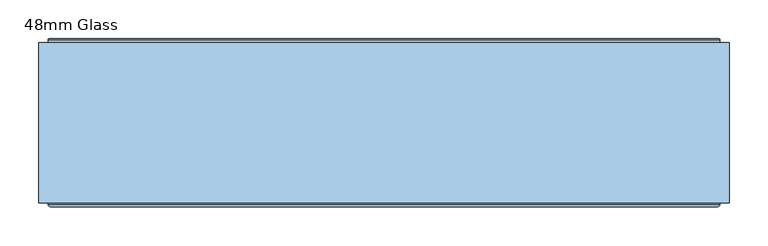
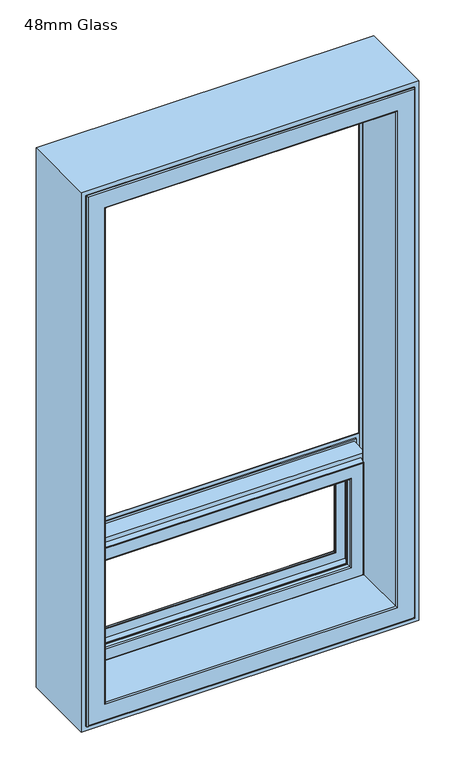
"""IFC4 building model written with IfcOpenShell, lengths in millimetres: window geometry, 48mm Glass."""

from ifc_helpers import new_model, si_unit, frame, origin, place, context, project, spatial, polyline, ellipse_curve, outline, extrude, source, transform, mapped, element, save
from ifc_brep_helpers import plane_surface, cylinder_surface, revolved_surface, advanced_brep


def window_48mm_glass_73d0b81a(model_context):
    return source(origin(), model_context, "Body", "SolidModel", [
        advanced_brep(
        [(396.5, 148.6168436, 1198.884), (396.5, 145.5999985, 1198.884), (396.5, 145.5999985, 847.5), (396.5, 148.6168436, 847.5), (399.0, 153.0, 1201.384), (400.0, 152.0, 1202.384), (400.0, 152.0, 844.0), (399.0, 153.0, 845.0), (340.0012615, 141.0, 1142.3852615), (340.0012615, 142.3599713, 1142.3852615), (340.0012615, 142.3599713, 903.9987385), (340.0012615, 141.0, 903.9987385), (358.3697055, 93.0110098, 1160.7537055), (364.2620126, 141.0, 1166.6460126), (364.2620126, 141.0, 879.7379874), (358.3697055, 93.0110098, 885.6302945), (340.0013518, 90.0110098, 1142.3853518), (340.0013518, 93.0110098, 1142.3853518), (340.0013518, 93.0110098, 903.9986482), (340.0013518, 90.0110098, 903.9986482), (340.0232044, 88.8030982, 1142.4072044), (341.001352, 90.0110098, 1143.385352), (341.001352, 90.0110098, 902.998648), (340.0232044, 88.8030982, 903.9767956), (341.8120427, 80.376265, 1144.1960427), (341.8120427, 80.376265, 902.1879573), (344.7464855, 78.0, 1147.1304855), (344.7464855, 78.0, 899.2535145), (377.5618051, 79.7562613, 1179.9458051), (375.5767128, 78.0, 1177.9607128), (375.5767128, 78.0, 868.4232872), (377.5618051, 79.7562613, 866.4381949), (379.5562854, 96.0, 1181.9402854), (379.5562854, 96.0, 864.4437146), (391.0, 145.5999985, 1193.384), (391.0, 96.0, 1193.384), (391.0, 96.0, 853.0), (391.0, 145.5999985, 853.0), (-396.5, 145.5999985, 847.5), (-396.5, 148.6168436, 847.5), (-400.0, 152.0, 844.0), (-399.0, 153.0, 845.0), (-340.0012615, 142.3599713, 903.9987385), (-340.0012615, 141.0, 903.9987385), (-364.2620126, 141.0, 879.7379874), (-358.3697055, 93.0110098, 885.6302945), (-340.0013518, 93.0110098, 903.9986482), (-340.0013518, 90.0110098, 903.9986482), (-341.001352, 90.0110098, 902.998648), (-340.0232044, 88.8030982, 903.9767956), (-341.8120427, 80.376265, 902.1879573), (-344.7464855, 78.0, 899.2535145), (-375.5767128, 78.0, 868.4232872), (-377.5618051, 79.7562613, 866.4381949), (-379.5562854, 96.0, 864.4437146), (-391.0, 96.0, 853.0), (-391.0, 145.5999985, 853.0), (-396.5, 145.5999985, 1198.884), (-396.5, 148.6168436, 1198.884), (-400.0, 152.0, 1202.384), (-399.0, 153.0, 1201.384), (-340.0012615, 142.3599713, 1142.3852615), (-340.0012615, 141.0, 1142.3852615), (-364.2620126, 141.0, 1166.6460126), (-358.3697055, 93.0110098, 1160.7537055), (-340.0013518, 93.0110098, 1142.3853518), (-340.0013518, 90.0110098, 1142.3853518), (-341.001352, 90.0110098, 1143.385352), (-340.0232044, 88.8030982, 1142.4072044), (-341.8120427, 80.376265, 1144.1960427), (-344.7464855, 78.0, 1147.1304855), (-375.5767128, 78.0, 1177.9607128), (-377.5618051, 79.7562613, 1179.9458051), (-379.5562854, 96.0, 1181.9402854), (-391.0, 96.0, 1193.384), (-391.0, 145.5999985, 1193.384), (406.1997151, 149.6865589, 837.8002849), (-406.1997151, 149.6865589, 837.8002849), (-406.1997151, 149.6865589, 1208.5837151), (406.1997151, 149.6865589, 1208.5837151), (400.0, 149.6865589, 1202.384), (-400.0, 149.6865589, 1202.384), (-400.0, 149.6865589, 844.0), (400.0, 149.6865589, 844.0), (352.2173048, 153.0, 891.7826952), (-352.2173048, 153.0, 891.7826952), (-352.2173048, 153.0, 1154.6013048), (352.2173048, 153.0, 1154.6013048), (344.5279664, 153.0, 1146.9119664), (-344.5279664, 153.0, 1146.9119664), (-344.5279664, 153.0, 899.4720336), (344.5279664, 153.0, 899.4720336), (406.1997151, 148.6168436, 1208.5837151), (406.1997151, 148.6168436, 837.8002849), (-406.1997151, 148.6168436, 837.8002849), (-406.1997151, 148.6168436, 1208.5837151), (357.6650635, 152.2610098, 1160.0490635), (358.7826952, 153.0, 1161.1666952), (358.7826952, 153.0, 885.2173048), (357.6650635, 152.2610098, 886.3349365), (353.3349365, 152.2610098, 1155.7189365), (353.3349365, 152.2610098, 890.6650635), (342.8249234, 151.5957532, 1145.2089234), (342.8249234, 151.5957532, 901.1750766), (-358.7826952, 153.0, 885.2173048), (-357.6650635, 152.2610098, 886.3349365), (-353.3349365, 152.2610098, 890.6650635), (-342.8249234, 151.5957532, 901.1750766), (-358.7826952, 153.0, 1161.1666952), (-357.6650635, 152.2610098, 1160.0490635), (-353.3349365, 152.2610098, 1155.7189365), (-342.8249234, 151.5957532, 1145.2089234)],
        [
            (0, 1),
            (1, 2),
            (2, 3),
            (3, 0),
            (4, 5, ellipse_curve(frame((399.0, 152.0, 1201.384), z_axis=(0.7071067811865475, 0.0, -0.7071067811865475), x_axis=(0.7071067811865474, 0.0, 0.7071067811865476)), 1.4142136, 1.0)),
            (5, 6),
            (6, 7, ellipse_curve(frame((399.0, 152.0, 845.0), z_axis=(0.7071067811865475, 0.0, 0.7071067811865475), x_axis=(-0.7071067811865474, 0.0, 0.7071067811865476)), 1.4142136, 1.0)),
            (7, 4),
            (8, 9),
            (9, 10),
            (10, 11),
            (11, 8),
            (12, 13),
            (13, 14),
            (14, 15),
            (15, 12),
            (16, 17),
            (17, 18),
            (18, 19),
            (19, 16),
            (20, 21, ellipse_curve(frame((341.001352, 89.0110098, 1143.385352), z_axis=(0.7071067811865475, 0.0, -0.7071067811865475), x_axis=(0.7071067811865474, 0.0, 0.7071067811865476)), 1.4142136, 1.0)),
            (21, 22),
            (22, 23, ellipse_curve(frame((341.001352, 89.0110098, 902.998648), z_axis=(0.7071067811865475, 0.0, 0.7071067811865475), x_axis=(-0.7071067811865474, 0.0, 0.7071067811865476)), 1.4142136, 1.0)),
            (23, 20),
            (24, 20),
            (23, 25),
            (25, 24),
            (26, 24, ellipse_curve(frame((344.7464855, 81.0, 1147.1304855), z_axis=(0.7071067811865475, 0.0, -0.7071067811865475), x_axis=(0.7071067811865474, 0.0, 0.7071067811865476)), 4.2426407, 3.0)),
            (25, 27, ellipse_curve(frame((344.7464855, 81.0, 899.2535145), z_axis=(0.7071067811865475, 0.0, 0.7071067811865475), x_axis=(-0.7071067811865474, 0.0, 0.7071067811865476)), 4.2426407, 3.0)),
            (27, 26),
            (28, 29, ellipse_curve(frame((375.5767128, 80.0, 1177.9607128), z_axis=(0.7071067811865475, 0.0, -0.7071067811865475), x_axis=(0.7071067811865474, 0.0, 0.7071067811865476)), 2.8284271, 2.0)),
            (29, 30),
            (30, 31, ellipse_curve(frame((375.5767128, 80.0, 868.4232872), z_axis=(0.7071067811865475, 0.0, 0.7071067811865475), x_axis=(-0.7071067811865474, 0.0, 0.7071067811865476)), 2.8284271, 2.0)),
            (31, 28),
            (32, 28),
            (31, 33),
            (33, 32),
            (34, 35),
            (35, 36),
            (36, 37),
            (37, 34),
            (2, 38),
            (38, 39),
            (39, 3),
            (6, 40),
            (40, 41, ellipse_curve(frame((-399.0, 152.0, 845.0), z_axis=(0.7071067811865475, 0.0, -0.7071067811865475), x_axis=(0.7071067811865476, 0.0, 0.7071067811865474)), 1.4142136, 1.0)),
            (41, 7),
            (10, 42),
            (42, 43),
            (43, 11),
            (14, 44),
            (44, 45),
            (45, 15),
            (18, 46),
            (46, 47),
            (47, 19),
            (22, 48),
            (48, 49, ellipse_curve(frame((-341.001352, 89.0110098, 902.998648), z_axis=(0.7071067811865475, 0.0, -0.7071067811865475), x_axis=(0.7071067811865476, 0.0, 0.7071067811865474)), 1.4142136, 1.0)),
            (49, 23),
            (49, 50),
            (50, 25),
            (50, 51, ellipse_curve(frame((-344.7464855, 81.0, 899.2535145), z_axis=(0.7071067811865475, 0.0, -0.7071067811865475), x_axis=(0.7071067811865476, 0.0, 0.7071067811865474)), 4.2426407, 3.0)),
            (51, 27),
            (30, 52),
            (52, 53, ellipse_curve(frame((-375.5767128, 80.0, 868.4232872), z_axis=(0.7071067811865475, 0.0, -0.7071067811865475), x_axis=(0.7071067811865476, 0.0, 0.7071067811865474)), 2.8284271, 2.0)),
            (53, 31),
            (53, 54),
            (54, 33),
            (36, 55),
            (55, 56),
            (56, 37),
            (38, 57),
            (57, 58),
            (58, 39),
            (40, 59),
            (59, 60, ellipse_curve(frame((-399.0, 152.0, 1201.384), z_axis=(-0.7071067811865475, 0.0, -0.7071067811865475), x_axis=(0.7071067811865474, 0.0, -0.7071067811865476)), 1.4142136, 1.0)),
            (60, 41),
            (42, 61),
            (61, 62),
            (62, 43),
            (44, 63),
            (63, 64),
            (64, 45),
            (46, 65),
            (65, 66),
            (66, 47),
            (48, 67),
            (67, 68, ellipse_curve(frame((-341.001352, 89.0110098, 1143.385352), z_axis=(-0.7071067811865475, 0.0, -0.7071067811865475), x_axis=(0.7071067811865474, 0.0, -0.7071067811865476)), 1.4142136, 1.0)),
            (68, 49),
            (68, 69),
            (69, 50),
            (69, 70, ellipse_curve(frame((-344.7464855, 81.0, 1147.1304855), z_axis=(-0.7071067811865475, 0.0, -0.7071067811865475), x_axis=(0.7071067811865474, 0.0, -0.7071067811865476)), 4.2426407, 3.0)),
            (70, 51),
            (52, 71),
            (71, 72, ellipse_curve(frame((-375.5767128, 80.0, 1177.9607128), z_axis=(-0.7071067811865475, 0.0, -0.7071067811865475), x_axis=(0.7071067811865474, 0.0, -0.7071067811865476)), 2.8284271, 2.0)),
            (72, 53),
            (72, 73),
            (73, 54),
            (55, 74),
            (74, 75),
            (75, 56),
            (1, 57),
            (75, 34),
            (0, 58),
            (76, 77),
            (77, 78),
            (78, 79),
            (79, 76),
            (80, 81),
            (81, 82),
            (82, 83),
            (83, 80),
            (59, 5),
            (4, 60),
            (84, 85),
            (85, 86),
            (86, 87),
            (87, 84),
            (88, 89),
            (89, 90),
            (90, 91),
            (91, 88),
            (61, 9),
            (8, 62),
            (13, 63),
            (12, 64),
            (17, 65),
            (16, 66),
            (21, 67),
            (20, 68),
            (24, 69),
            (26, 70),
            (29, 71),
            (28, 72),
            (32, 73),
            (35, 74),
            (79, 92),
            (92, 93),
            (93, 76),
            (5, 80),
            (83, 6),
            (93, 94),
            (94, 77),
            (82, 40),
            (94, 95),
            (95, 78),
            (81, 59),
            (92, 95),
            (96, 97, ellipse_curve(frame((358.9641016, 151.5110098, 1161.3481016), z_axis=(0.7071067811865475, 0.0, -0.7071067811865475), x_axis=(0.7071067811865474, 0.0, 0.7071067811865476)), 2.1213203, 1.5)),
            (97, 98),
            (98, 99, ellipse_curve(frame((358.9641016, 151.5110098, 885.0358984), z_axis=(0.7071067811865475, 0.0, 0.7071067811865475), x_axis=(-0.7071067811865474, 0.0, 0.7071067811865476)), 2.1213203, 1.5)),
            (99, 96),
            (100, 96, ellipse_curve(frame((355.5, 153.5110098, 1157.884), z_axis=(-0.7071067811865475, 0.0, 0.7071067811865475), x_axis=(-0.7071067811865474, 0.0, -0.7071067811865476)), 3.5355339, 2.5)),
            (99, 101, ellipse_curve(frame((355.5, 153.5110098, 888.5), z_axis=(-0.7071067811865475, 0.0, -0.7071067811865475), x_axis=(0.7071067811865474, 0.0, -0.7071067811865476)), 3.5355339, 2.5)),
            (101, 100),
            (87, 100, ellipse_curve(frame((352.0358984, 151.5110098, 1154.4198984), z_axis=(0.7071067811865475, 0.0, -0.7071067811865475), x_axis=(0.7071067811865474, 0.0, 0.7071067811865476)), 2.1213203, 1.5)),
            (101, 84, ellipse_curve(frame((352.0358984, 151.5110098, 891.9641016), z_axis=(0.7071067811865475, 0.0, 0.7071067811865475), x_axis=(-0.7071067811865474, 0.0, 0.7071067811865476)), 2.1213203, 1.5)),
            (102, 88, ellipse_curve(frame((344.7375329, 151.0110098, 1147.1215329), z_axis=(0.7071067811865475, 0.0, -0.7071067811865475), x_axis=(0.7071067811865474, 0.0, 0.7071067811865476)), 2.8284271, 2.0)),
            (91, 103, ellipse_curve(frame((344.7375329, 151.0110098, 899.2624671), z_axis=(0.7071067811865475, 0.0, 0.7071067811865475), x_axis=(-0.7071067811865474, 0.0, 0.7071067811865476)), 2.8284271, 2.0)),
            (103, 102),
            (9, 102),
            (103, 10),
            (98, 104),
            (104, 105, ellipse_curve(frame((-358.9641016, 151.5110098, 885.0358984), z_axis=(0.7071067811865475, 0.0, -0.7071067811865475), x_axis=(0.7071067811865476, 0.0, 0.7071067811865474)), 2.1213203, 1.5)),
            (105, 99),
            (105, 106, ellipse_curve(frame((-355.5, 153.5110098, 888.5), z_axis=(-0.7071067811865475, 0.0, 0.7071067811865475), x_axis=(-0.7071067811865476, 0.0, -0.7071067811865474)), 3.5355339, 2.5)),
            (106, 101),
            (106, 85, ellipse_curve(frame((-352.0358984, 151.5110098, 891.9641016), z_axis=(0.7071067811865475, 0.0, -0.7071067811865475), x_axis=(0.7071067811865476, 0.0, 0.7071067811865474)), 2.1213203, 1.5)),
            (90, 107, ellipse_curve(frame((-344.7375329, 151.0110098, 899.2624671), z_axis=(0.7071067811865475, 0.0, -0.7071067811865475), x_axis=(0.7071067811865476, 0.0, 0.7071067811865474)), 2.8284271, 2.0)),
            (107, 103),
            (107, 42),
            (104, 108),
            (108, 109, ellipse_curve(frame((-358.9641016, 151.5110098, 1161.3481016), z_axis=(-0.7071067811865475, 0.0, -0.7071067811865475), x_axis=(0.7071067811865474, 0.0, -0.7071067811865476)), 2.1213203, 1.5)),
            (109, 105),
            (109, 110, ellipse_curve(frame((-355.5, 153.5110098, 1157.884), z_axis=(0.7071067811865475, 0.0, 0.7071067811865475), x_axis=(-0.7071067811865474, 0.0, 0.7071067811865476)), 3.5355339, 2.5)),
            (110, 106),
            (110, 86, ellipse_curve(frame((-352.0358984, 151.5110098, 1154.4198984), z_axis=(-0.7071067811865475, 0.0, -0.7071067811865475), x_axis=(0.7071067811865474, 0.0, -0.7071067811865476)), 2.1213203, 1.5)),
            (89, 111, ellipse_curve(frame((-344.7375329, 151.0110098, 1147.1215329), z_axis=(-0.7071067811865475, 0.0, -0.7071067811865475), x_axis=(0.7071067811865474, 0.0, -0.7071067811865476)), 2.8284271, 2.0)),
            (111, 107),
            (111, 61),
            (97, 108),
            (96, 109),
            (100, 110),
            (102, 111),
        ],
        [
            plane_surface(frame((396.5, 145.5999985, 1198.884), z_axis=(1.0, 0.0, 0.0), x_axis=(0.0, 0.0, -1.0))),
            cylinder_surface(frame((399.0, 152.0, 1193.384), z_axis=(0.0, 0.0, 1.0), x_axis=(0.0, -1.0, 0.0)), 1.0),
            plane_surface(frame((340.0012615, 142.3599713, 1142.3852615), z_axis=(-1.0, 0.0, 0.0), x_axis=(0.0, 0.0, -1.0))),
            plane_surface(frame((364.2620126, 141.0, 1166.6460126), z_axis=(-0.9925461516413232, 0.12186934340513839, 0.0), x_axis=(0.0, 0.0, -1.0))),
            plane_surface(frame((340.0013518, 93.0110098, 1142.3853518), z_axis=(-1.0, 0.0, 0.0), x_axis=(0.0, 0.0, -1.0))),
            cylinder_surface(frame((341.001352, 89.0110098, 1193.384), z_axis=(0.0, 0.0, 1.0), x_axis=(0.0, -1.0, 0.0)), 1.0),
            plane_surface(frame((340.0232044, 88.8030982, 1142.4072044), z_axis=(-0.9782028159557521, -0.207651753800051, 0.0), x_axis=(0.0, 0.0, -1.0))),
            cylinder_surface(frame((344.7464855, 81.0, 1193.384), z_axis=(0.0, 0.0, 1.0), x_axis=(0.0, -1.0, 0.0)), 3.0),
            cylinder_surface(frame((375.5767128, 80.0, 1193.384), z_axis=(0.0, 0.0, 1.0), x_axis=(0.0, -1.0, 0.0)), 2.0),
            plane_surface(frame((377.5618051, 79.7562613, 1179.9458051), z_axis=(0.9925461516416152, -0.1218693434027605, 0.0), x_axis=(0.0, 0.0, -1.0))),
            plane_surface(frame((391.0, 96.0, 1193.384), z_axis=(1.0, 0.0, 0.0), x_axis=(0.0, 0.0, -1.0))),
            plane_surface(frame((396.5, 145.5999985, 847.5), z_axis=(0.0, 0.0, -1.0), x_axis=(-1.0, 0.0, 0.0))),
            cylinder_surface(frame((391.0, 152.0, 845.0), z_axis=(1.0, 0.0, 0.0), x_axis=(0.0, -1.0, 0.0)), 1.0),
            plane_surface(frame((340.0012615, 142.3599713, 903.9987385), z_axis=(0.0, 0.0, 1.0), x_axis=(-1.0, 0.0, 0.0))),
            plane_surface(frame((364.2620126, 141.0, 879.7379874), z_axis=(0.0, 0.12186934340513839, 0.9925461516413232), x_axis=(-1.0, 0.0, 0.0))),
            plane_surface(frame((340.0013518, 93.0110098, 903.9986482), z_axis=(0.0, 0.0, 1.0), x_axis=(-1.0, 0.0, 0.0))),
            cylinder_surface(frame((391.0, 89.0110098, 902.998648), z_axis=(1.0, 0.0, 0.0), x_axis=(0.0, -1.0, 0.0)), 1.0),
            plane_surface(frame((340.0232044, 88.8030982, 903.9767956), z_axis=(0.0, -0.207651753800051, 0.9782028159557521), x_axis=(-1.0, 0.0, 0.0))),
            cylinder_surface(frame((391.0, 81.0, 899.2535145), z_axis=(1.0, 0.0, 0.0), x_axis=(0.0, -1.0, 0.0)), 3.0),
            cylinder_surface(frame((391.0, 80.0, 868.4232872), z_axis=(1.0, 0.0, 0.0), x_axis=(0.0, -1.0, 0.0)), 2.0),
            plane_surface(frame((377.5618051, 79.7562613, 866.4381949), z_axis=(0.0, -0.1218693434027605, -0.9925461516416152), x_axis=(-1.0, 0.0, 0.0))),
            plane_surface(frame((391.0, 96.0, 853.0), z_axis=(0.0, 0.0, -1.0), x_axis=(-1.0, 0.0, 0.0))),
            plane_surface(frame((-396.5, 145.5999985, 847.5), z_axis=(-1.0, 0.0, 0.0), x_axis=(0.0, 0.0, 1.0))),
            cylinder_surface(frame((-399.0, 152.0, 853.0), z_axis=(0.0, 0.0, -1.0), x_axis=(0.0, -1.0, 0.0)), 1.0),
            plane_surface(frame((-340.0012615, 142.3599713, 903.9987385), z_axis=(1.0, 0.0, 0.0), x_axis=(0.0, 0.0, 1.0))),
            plane_surface(frame((-364.2620126, 141.0, 879.7379874), z_axis=(0.9925461516413232, 0.12186934340513839, 0.0), x_axis=(0.0, 0.0, 1.0))),
            plane_surface(frame((-340.0013518, 93.0110098, 903.9986482), z_axis=(1.0, 0.0, 0.0), x_axis=(0.0, 0.0, 1.0))),
            cylinder_surface(frame((-341.001352, 89.0110098, 853.0), z_axis=(0.0, 0.0, -1.0), x_axis=(0.0, -1.0, 0.0)), 1.0),
            plane_surface(frame((-340.0232044, 88.8030982, 903.9767956), z_axis=(0.9782028159557521, -0.207651753800051, 0.0), x_axis=(0.0, 0.0, 1.0))),
            cylinder_surface(frame((-344.7464855, 81.0, 853.0), z_axis=(0.0, 0.0, -1.0), x_axis=(0.0, -1.0, 0.0)), 3.0),
            cylinder_surface(frame((-375.5767128, 80.0, 853.0), z_axis=(0.0, 0.0, -1.0), x_axis=(0.0, -1.0, 0.0)), 2.0),
            plane_surface(frame((-377.5618051, 79.7562613, 866.4381949), z_axis=(-0.9925461516416152, -0.1218693434027605, 0.0), x_axis=(0.0, 0.0, 1.0))),
            plane_surface(frame((-391.0, 96.0, 853.0), z_axis=(-1.0, 0.0, 0.0), x_axis=(0.0, 0.0, 1.0))),
            plane_surface(frame((-391.0, 145.5999985, 1193.384), z_axis=(0.0, -1.0, 0.0), x_axis=(1.0, 0.0, 0.0))),
            plane_surface(frame((-396.5, 145.5999985, 1198.884), z_axis=(0.0, 0.0, 1.0), x_axis=(1.0, 0.0, 0.0))),
            plane_surface(frame((-406.1997151, 149.6865589, 1208.5837151), z_axis=(0.0, 1.0, 0.0), x_axis=(1.0, 0.0, 0.0))),
            cylinder_surface(frame((-391.0, 152.0, 1201.384), z_axis=(-1.0, 0.0, 0.0), x_axis=(0.0, -1.0, 0.0)), 1.0),
            plane_surface(frame((-352.2173048, 153.0, 1154.6013048), z_axis=(0.0, 1.0, 0.0), x_axis=(1.0, 0.0, 0.0))),
            plane_surface(frame((-340.0012615, 142.3599713, 1142.3852615), z_axis=(0.0, 0.0, -1.0), x_axis=(1.0, 0.0, 0.0))),
            plane_surface(frame((-340.0012615, 141.0, 1142.3852615), z_axis=(0.0, -1.0, 0.0), x_axis=(1.0, 0.0, 0.0))),
            plane_surface(frame((-364.2620126, 141.0, 1166.6460126), z_axis=(0.0, 0.12186934340513839, -0.9925461516413232), x_axis=(1.0, 0.0, 0.0))),
            plane_surface(frame((-358.3697055, 93.0110098, 1160.7537055), z_axis=(0.0, 1.0, 0.0), x_axis=(1.0, 0.0, 0.0))),
            plane_surface(frame((-340.0013518, 93.0110098, 1142.3853518), z_axis=(0.0, 0.0, -1.0), x_axis=(1.0, 0.0, 0.0))),
            plane_surface(frame((-340.0013518, 90.0110098, 1142.3853518), z_axis=(0.0, -1.0, 0.0), x_axis=(1.0, 0.0, 0.0))),
            cylinder_surface(frame((-391.0, 89.0110098, 1143.385352), z_axis=(-1.0, 0.0, 0.0), x_axis=(0.0, -1.0, 0.0)), 1.0),
            plane_surface(frame((-340.0232044, 88.8030982, 1142.4072044), z_axis=(0.0, -0.207651753800051, -0.9782028159557521), x_axis=(1.0, 0.0, 0.0))),
            cylinder_surface(frame((-391.0, 81.0, 1147.1304855), z_axis=(-1.0, 0.0, 0.0), x_axis=(0.0, -1.0, 0.0)), 3.0),
            plane_surface(frame((-344.7464855, 78.0, 1147.1304855), z_axis=(0.0, -1.0, 0.0), x_axis=(1.0, 0.0, 0.0))),
            cylinder_surface(frame((-391.0, 80.0, 1177.9607128), z_axis=(-1.0, 0.0, 0.0), x_axis=(0.0, -1.0, 0.0)), 2.0),
            plane_surface(frame((-377.5618051, 79.7562613, 1179.9458051), z_axis=(0.0, -0.1218693434027605, 0.9925461516416152), x_axis=(1.0, 0.0, 0.0))),
            plane_surface(frame((-379.5562854, 96.0, 1181.9402854), z_axis=(0.0, -1.0, 0.0), x_axis=(1.0, 0.0, 0.0))),
            plane_surface(frame((-391.0, 96.0, 1193.384), z_axis=(0.0, 0.0, 1.0), x_axis=(1.0, 0.0, 0.0))),
            plane_surface(frame((406.1997151, 148.6168436, 1208.5837151), z_axis=(1.0, 0.0, 0.0), x_axis=(0.0, 0.0, -1.0))),
            plane_surface(frame((400.0, 149.6865589, 1202.384), z_axis=(1.0, 0.0, 0.0), x_axis=(0.0, 0.0, -1.0))),
            plane_surface(frame((406.1997151, 148.6168436, 837.8002849), z_axis=(0.0, 0.0, -1.0), x_axis=(-1.0, 0.0, 0.0))),
            plane_surface(frame((400.0, 149.6865589, 844.0), z_axis=(0.0, 0.0, -1.0), x_axis=(-1.0, 0.0, 0.0))),
            plane_surface(frame((-406.1997151, 148.6168436, 837.8002849), z_axis=(-1.0, 0.0, 0.0), x_axis=(0.0, 0.0, 1.0))),
            plane_surface(frame((-400.0, 149.6865589, 844.0), z_axis=(-1.0, 0.0, 0.0), x_axis=(0.0, 0.0, 1.0))),
            plane_surface(frame((-396.5, 148.6168436, 1198.884), z_axis=(0.0, -1.0, 0.0), x_axis=(1.0, 0.0, 0.0))),
            plane_surface(frame((-406.1997151, 148.6168436, 1208.5837151), z_axis=(0.0, 0.0, 1.0), x_axis=(1.0, 0.0, 0.0))),
            plane_surface(frame((-400.0, 149.6865589, 1202.384), z_axis=(0.0, 0.0, 1.0), x_axis=(1.0, 0.0, 0.0))),
            cylinder_surface(frame((358.9641016, 151.5110098, 1193.384), z_axis=(0.0, 0.0, 1.0), x_axis=(0.0, -1.0, 0.0)), 1.5),
            revolved_surface(polyline([(355.5, 151.0110098, 886.000000004195), (355.5, 151.0110098, 1160.383999995805)]), (355.5, 153.5110098, 1193.384), (0.0, 0.0, -1.0)),
            cylinder_surface(frame((352.0358984, 151.5110098, 1193.384), z_axis=(0.0, 0.0, 1.0), x_axis=(0.0, -1.0, 0.0)), 1.5),
            cylinder_surface(frame((344.7375329, 151.0110098, 1193.384), z_axis=(0.0, 0.0, 1.0), x_axis=(0.0, -1.0, 0.0)), 2.0),
            plane_surface(frame((342.8249234, 151.5957532, 1145.2089234), z_axis=(-0.9563047559630313, 0.2923717047227504, 0.0), x_axis=(0.0, 0.0, -1.0))),
            cylinder_surface(frame((391.0, 151.5110098, 885.0358984), z_axis=(1.0, 0.0, 0.0), x_axis=(0.0, -1.0, 0.0)), 1.5),
            revolved_surface(polyline([(-357.99999999580496, 151.0110098, 888.5), (357.9999999958049, 151.0110098, 888.5)]), (391.0, 153.5110098, 888.5), (-1.0, 0.0, 0.0)),
            cylinder_surface(frame((391.0, 151.5110098, 891.9641016), z_axis=(1.0, 0.0, 0.0), x_axis=(0.0, -1.0, 0.0)), 1.5),
            cylinder_surface(frame((391.0, 151.0110098, 899.2624671), z_axis=(1.0, 0.0, 0.0), x_axis=(0.0, -1.0, 0.0)), 2.0),
            plane_surface(frame((342.8249234, 151.5957532, 901.1750766), z_axis=(0.0, 0.2923717047227504, 0.9563047559630313), x_axis=(-1.0, 0.0, 0.0))),
            cylinder_surface(frame((-358.9641016, 151.5110098, 853.0), z_axis=(0.0, 0.0, -1.0), x_axis=(0.0, -1.0, 0.0)), 1.5),
            revolved_surface(polyline([(-355.5, 151.0110098, 1160.383999995805), (-355.5, 151.0110098, 886.000000004195)]), (-355.5, 153.5110098, 853.0), (0.0, 0.0, 1.0)),
            cylinder_surface(frame((-352.0358984, 151.5110098, 853.0), z_axis=(0.0, 0.0, -1.0), x_axis=(0.0, -1.0, 0.0)), 1.5),
            cylinder_surface(frame((-344.7375329, 151.0110098, 853.0), z_axis=(0.0, 0.0, -1.0), x_axis=(0.0, -1.0, 0.0)), 2.0),
            plane_surface(frame((-342.8249234, 151.5957532, 901.1750766), z_axis=(0.9563047559630313, 0.2923717047227504, 0.0), x_axis=(0.0, 0.0, 1.0))),
            plane_surface(frame((-399.0, 153.0, 1201.384), z_axis=(0.0, 1.0, 0.0), x_axis=(1.0, 0.0, 0.0))),
            cylinder_surface(frame((-391.0, 151.5110098, 1161.3481016), z_axis=(-1.0, 0.0, 0.0), x_axis=(0.0, -1.0, 0.0)), 1.5),
            revolved_surface(polyline([(357.99999999580496, 151.0110098, 1157.884), (-357.9999999958049, 151.0110098, 1157.884)]), (-391.0, 153.5110098, 1157.884), (1.0, 0.0, 0.0)),
            cylinder_surface(frame((-391.0, 151.5110098, 1154.4198984), z_axis=(-1.0, 0.0, 0.0), x_axis=(0.0, -1.0, 0.0)), 1.5),
            cylinder_surface(frame((-391.0, 151.0110098, 1147.1215329), z_axis=(-1.0, 0.0, 0.0), x_axis=(0.0, -1.0, 0.0)), 2.0),
            plane_surface(frame((-342.8249234, 151.5957532, 1145.2089234), z_axis=(0.0, 0.2923717047227504, -0.9563047559630313), x_axis=(1.0, 0.0, 0.0))),
        ],
        [
            (0, [[1, 2, 3, 4]]),
            (1, [[5, 6, 7, 8]]),
            (2, [[9, 10, 11, 12]]),
            (3, [[13, 14, 15, 16]]),
            (4, [[17, 18, 19, 20]]),
            (5, [[21, 22, 23, 24]]),
            (6, [[25, -24, 26, 27]]),
            (7, [[28, -27, 29, 30]]),
            (8, [[31, 32, 33, 34]]),
            (9, [[35, -34, 36, 37]]),
            (10, [[38, 39, 40, 41]]),
            (11, [[-3, 42, 43, 44]]),
            (12, [[-7, 45, 46, 47]]),
            (13, [[-11, 48, 49, 50]]),
            (14, [[-15, 51, 52, 53]]),
            (15, [[-19, 54, 55, 56]]),
            (16, [[-23, 57, 58, 59]]),
            (17, [[-26, -59, 60, 61]]),
            (18, [[-29, -61, 62, 63]]),
            (19, [[-33, 64, 65, 66]]),
            (20, [[-36, -66, 67, 68]]),
            (21, [[-40, 69, 70, 71]]),
            (22, [[-43, 72, 73, 74]]),
            (23, [[-46, 75, 76, 77]]),
            (24, [[-49, 78, 79, 80]]),
            (25, [[-52, 81, 82, 83]]),
            (26, [[-55, 84, 85, 86]]),
            (27, [[-58, 87, 88, 89]]),
            (28, [[-60, -89, 90, 91]]),
            (29, [[-62, -91, 92, 93]]),
            (30, [[-65, 94, 95, 96]]),
            (31, [[-67, -96, 97, 98]]),
            (32, [[-70, 99, 100, 101]]),
            (33, [[102, -72, -42, -2], [-71, -101, 103, -41]]),
            (34, [[-73, -102, -1, 104]]),
            (35, [[105, 106, 107, 108], [109, 110, 111, 112]]),
            (36, [[-76, 113, -5, 114]]),
            (37, [[115, 116, 117, 118], [119, 120, 121, 122]]),
            (38, [[-79, 123, -9, 124]]),
            (39, [[125, -81, -51, -14], [-50, -80, -124, -12]]),
            (40, [[-82, -125, -13, 126]]),
            (41, [[-53, -83, -126, -16], [127, -84, -54, -18]]),
            (42, [[-85, -127, -17, 128]]),
            (43, [[129, -87, -57, -22], [-56, -86, -128, -20]]),
            (44, [[-88, -129, -21, 130]]),
            (45, [[-90, -130, -25, 131]]),
            (46, [[-92, -131, -28, 132]]),
            (47, [[133, -94, -64, -32], [-63, -93, -132, -30]]),
            (48, [[-95, -133, -31, 134]]),
            (49, [[-97, -134, -35, 135]]),
            (50, [[136, -99, -69, -39], [-68, -98, -135, -37]]),
            (51, [[-100, -136, -38, -103]]),
            (52, [[137, 138, 139, -108]]),
            (53, [[140, -112, 141, -6]]),
            (54, [[-139, 142, 143, -105]]),
            (55, [[-141, -111, 144, -45]]),
            (56, [[-143, 145, 146, -106]]),
            (57, [[-144, -110, 147, -75]]),
            (58, [[148, -145, -142, -138], [-44, -74, -104, -4]]),
            (59, [[-146, -148, -137, -107]]),
            (60, [[-147, -109, -140, -113]]),
            (61, [[149, 150, 151, 152]]),
            (62, [[153, -152, 154, 155]]),
            (63, [[156, -155, 157, -118]]),
            (64, [[158, -122, 159, 160]]),
            (65, [[161, -160, 162, -10]]),
            (66, [[-151, 163, 164, 165]]),
            (67, [[-154, -165, 166, 167]]),
            (68, [[-157, -167, 168, -115]]),
            (69, [[-159, -121, 169, 170]]),
            (70, [[-162, -170, 171, -48]]),
            (71, [[-164, 172, 173, 174]]),
            (72, [[-166, -174, 175, 176]]),
            (73, [[-168, -176, 177, -116]]),
            (74, [[-169, -120, 178, 179]]),
            (75, [[-171, -179, 180, -78]]),
            (76, [[-47, -77, -114, -8], [181, -172, -163, -150]]),
            (77, [[-173, -181, -149, 182]]),
            (78, [[-175, -182, -153, 183]]),
            (79, [[-177, -183, -156, -117]]),
            (80, [[-178, -119, -158, 184]]),
            (81, [[-180, -184, -161, -123]]),
        ],
    ),
        advanced_brep(
        [(-383.5, 91.0, 2239.5), (-382.0, 89.5, 2238.0), (-382.0, 89.5, 862.0), (-383.5, 91.0, 860.5), (-382.0, -59.408, 2238.0), (-382.0, -59.408, 862.0), (382.0, 89.5, 862.0), (383.5, 91.0, 860.5), (398.6498733, 91.0, 2254.6498733), (398.6498733, 91.0, 845.3501267), (-398.6498733, 91.0, 845.3501267), (-398.6498733, 91.0, 2254.6498733), (383.5, 91.0, 2239.5), (-400.1386925, 92.317196, 2256.1386925), (-400.1386925, 92.317196, 843.8613075), (400.1386925, 92.317196, 843.8613075), (-406.7857488, 146.453125, 2262.7857488), (-406.7857488, 146.453125, 837.2142512), (406.7857488, 146.453125, 837.2142512), (407.6, 146.453125, 2263.6), (407.6, 146.453125, 836.4), (-407.6, 146.453125, 836.4), (-407.6, 146.453125, 2263.6), (406.7857488, 146.453125, 2262.7857488), (-407.6, 153.0, 2263.6), (-407.6, 153.0, 836.4), (407.6, 153.0, 836.4), (-408.6, 154.0, 2264.6), (-408.6, 154.0, 835.4), (408.6, 154.0, 835.4), (431.0, 154.0, 2287.0), (431.0, 154.0, 813.0), (-431.0, 154.0, 813.0), (-431.0, 154.0, 2287.0), (408.6, 154.0, 2264.6), (-432.0, 153.0, 2288.0), (-432.0, 153.0, 812.0), (432.0, 153.0, 812.0), (-432.0, -59.408, 2288.0), (-432.0, -59.408, 812.0), (432.0, -59.408, 812.0), (-429.0, -62.408, 2285.0), (-429.0, -62.408, 815.0), (429.0, -62.408, 815.0), (429.0, -62.408, 2285.0), (385.0, -62.408, 2241.0), (385.0, -62.408, 859.0), (-385.0, -62.408, 859.0), (-385.0, -62.408, 2241.0), (382.0, -59.408, 862.0), (382.0, 89.5, 2238.0), (400.1386925, 92.317196, 2256.1386925), (407.6, 153.0, 2263.6), (432.0, 153.0, 2288.0), (432.0, -59.408, 2288.0), (382.0, -59.408, 2238.0)],
        [
            (0, 1, ellipse_curve(frame((-383.5, 89.5, 2239.5), z_axis=(-0.7071067811865475, 0.0, -0.7071067811865475), x_axis=(-0.7071067811865474, 0.0, 0.7071067811865476)), 2.1213203, 1.5)),
            (1, 2),
            (2, 3, ellipse_curve(frame((-383.5, 89.5, 860.5), z_axis=(-0.7071067811865475, 0.0, 0.7071067811865475), x_axis=(0.7071067811865474, 0.0, 0.7071067811865476)), 2.1213203, 1.5)),
            (3, 0),
            (1, 4),
            (4, 5),
            (5, 2),
            (2, 6),
            (6, 7, ellipse_curve(frame((383.5, 89.5, 860.5), z_axis=(-0.7071067811865475, 0.0, -0.7071067811865475), x_axis=(-0.7071067811865476, 0.0, 0.7071067811865474)), 2.1213203, 1.5)),
            (7, 3),
            (8, 9),
            (9, 10),
            (10, 11),
            (11, 8),
            (7, 12),
            (12, 0),
            (13, 11, ellipse_curve(frame((-398.6498733, 92.5, 2254.6498733), z_axis=(0.7071067811865475, 0.0, 0.7071067811865475), x_axis=(0.7071067811865474, 0.0, -0.7071067811865476)), 2.1213203, 1.5)),
            (10, 14, ellipse_curve(frame((-398.6498733, 92.5, 845.3501267), z_axis=(0.7071067811865475, 0.0, -0.7071067811865475), x_axis=(-0.7071067811865474, 0.0, -0.7071067811865476)), 2.1213203, 1.5)),
            (14, 13),
            (9, 15, ellipse_curve(frame((398.6498733, 92.5, 845.3501267), z_axis=(0.7071067811865475, 0.0, 0.7071067811865475), x_axis=(0.7071067811865476, 0.0, -0.7071067811865474)), 2.1213203, 1.5)),
            (15, 14),
            (16, 13),
            (14, 17),
            (17, 16),
            (15, 18),
            (18, 17),
            (19, 20),
            (20, 21),
            (21, 22),
            (22, 19),
            (18, 23),
            (23, 16),
            (24, 22),
            (21, 25),
            (25, 24),
            (20, 26),
            (26, 25),
            (27, 24, ellipse_curve(frame((-408.6, 153.0, 2264.6), z_axis=(-0.7071067811865475, 0.0, -0.7071067811865475), x_axis=(-0.7071067811865474, 0.0, 0.7071067811865476)), 1.4142136, 1.0)),
            (25, 28, ellipse_curve(frame((-408.6, 153.0, 835.4), z_axis=(-0.7071067811865475, 0.0, 0.7071067811865475), x_axis=(0.7071067811865474, 0.0, 0.7071067811865476)), 1.4142136, 1.0)),
            (28, 27),
            (26, 29, ellipse_curve(frame((408.6, 153.0, 835.4), z_axis=(-0.7071067811865475, 0.0, -0.7071067811865475), x_axis=(-0.7071067811865476, 0.0, 0.7071067811865474)), 1.4142136, 1.0)),
            (29, 28),
            (30, 31),
            (31, 32),
            (32, 33),
            (33, 30),
            (29, 34),
            (34, 27),
            (35, 33, ellipse_curve(frame((-431.0, 153.0, 2287.0), z_axis=(-0.7071067811865475, 0.0, -0.7071067811865475), x_axis=(-0.7071067811865474, 0.0, 0.7071067811865476)), 1.4142136, 1.0)),
            (32, 36, ellipse_curve(frame((-431.0, 153.0, 813.0), z_axis=(-0.7071067811865475, 0.0, 0.7071067811865475), x_axis=(0.7071067811865474, 0.0, 0.7071067811865476)), 1.4142136, 1.0)),
            (36, 35),
            (31, 37, ellipse_curve(frame((431.0, 153.0, 813.0), z_axis=(-0.7071067811865475, 0.0, -0.7071067811865475), x_axis=(-0.7071067811865476, 0.0, 0.7071067811865474)), 1.4142136, 1.0)),
            (37, 36),
            (38, 35),
            (36, 39),
            (39, 38),
            (37, 40),
            (40, 39),
            (41, 38, ellipse_curve(frame((-429.0, -59.408, 2285.0), z_axis=(-0.7071067811865475, 0.0, -0.7071067811865475), x_axis=(-0.7071067811865474, 0.0, 0.7071067811865476)), 4.2426407, 3.0)),
            (39, 42, ellipse_curve(frame((-429.0, -59.408, 815.0), z_axis=(-0.7071067811865475, 0.0, 0.7071067811865475), x_axis=(0.7071067811865474, 0.0, 0.7071067811865476)), 4.2426407, 3.0)),
            (42, 41),
            (40, 43, ellipse_curve(frame((429.0, -59.408, 815.0), z_axis=(-0.7071067811865475, 0.0, -0.7071067811865475), x_axis=(-0.7071067811865476, 0.0, 0.7071067811865474)), 4.2426407, 3.0)),
            (43, 42),
            (43, 44),
            (44, 41),
            (45, 46),
            (46, 47),
            (47, 48),
            (48, 45),
            (4, 48, ellipse_curve(frame((-385.0, -59.408, 2241.0), z_axis=(-0.7071067811865475, 0.0, -0.7071067811865475), x_axis=(-0.7071067811865474, 0.0, 0.7071067811865476)), 4.2426407, 3.0)),
            (47, 5, ellipse_curve(frame((-385.0, -59.408, 859.0), z_axis=(-0.7071067811865475, 0.0, 0.7071067811865475), x_axis=(0.7071067811865474, 0.0, 0.7071067811865476)), 4.2426407, 3.0)),
            (46, 49, ellipse_curve(frame((385.0, -59.408, 859.0), z_axis=(-0.7071067811865475, 0.0, -0.7071067811865475), x_axis=(-0.7071067811865476, 0.0, 0.7071067811865474)), 4.2426407, 3.0)),
            (49, 5),
            (49, 6),
            (6, 50),
            (50, 12, ellipse_curve(frame((383.5, 89.5, 2239.5), z_axis=(0.7071067811865475, 0.0, -0.7071067811865475), x_axis=(-0.7071067811865474, 0.0, -0.7071067811865476)), 2.1213203, 1.5)),
            (8, 51, ellipse_curve(frame((398.6498733, 92.5, 2254.6498733), z_axis=(-0.7071067811865475, 0.0, 0.7071067811865475), x_axis=(0.7071067811865474, 0.0, 0.7071067811865476)), 2.1213203, 1.5)),
            (51, 15),
            (51, 23),
            (19, 52),
            (52, 26),
            (52, 34, ellipse_curve(frame((408.6, 153.0, 2264.6), z_axis=(0.7071067811865475, 0.0, -0.7071067811865475), x_axis=(-0.7071067811865474, 0.0, -0.7071067811865476)), 1.4142136, 1.0)),
            (30, 53, ellipse_curve(frame((431.0, 153.0, 2287.0), z_axis=(0.7071067811865475, 0.0, -0.7071067811865475), x_axis=(-0.7071067811865474, 0.0, -0.7071067811865476)), 1.4142136, 1.0)),
            (53, 37),
            (53, 54),
            (54, 40),
            (54, 44, ellipse_curve(frame((429.0, -59.408, 2285.0), z_axis=(0.7071067811865475, 0.0, -0.7071067811865475), x_axis=(-0.7071067811865474, 0.0, -0.7071067811865476)), 4.2426407, 3.0)),
            (45, 55, ellipse_curve(frame((385.0, -59.408, 2241.0), z_axis=(0.7071067811865475, 0.0, -0.7071067811865475), x_axis=(-0.7071067811865474, 0.0, -0.7071067811865476)), 4.2426407, 3.0)),
            (55, 49),
            (55, 50),
            (50, 1),
            (13, 51),
            (24, 52),
            (35, 53),
            (38, 54),
            (4, 55),
        ],
        [
            cylinder_surface(frame((-383.5, 89.5, 2300.0), z_axis=(0.0, 0.0, 1.0), x_axis=(0.0, 1.0, 0.0)), 1.5),
            plane_surface(frame((-382.0, -59.408, 2238.0), z_axis=(1.0, 0.0, 0.0), x_axis=(0.0, 0.0, -1.0))),
            cylinder_surface(frame((-444.0, 89.5, 860.5), z_axis=(-1.0, 0.0, 0.0), x_axis=(0.0, 1.0, 0.0)), 1.5),
            plane_surface(frame((383.5, 91.0, 860.5), z_axis=(0.0, 1.0, 0.0), x_axis=(0.0, 0.0, 1.0))),
            revolved_surface(polyline([(-398.6498733, 94.0, 843.8501267308015), (-398.6498733, 94.0, 2256.1498732691985)]), (-398.6498733, 92.5, 2300.0), (0.0, 0.0, -1.0)),
            revolved_surface(polyline([(400.1498732691988, 94.0, 845.3501267), (-400.1498732691987, 94.0, 845.3501267)]), (-444.0, 92.5, 845.3501267), (1.0, 0.0, 0.0)),
            plane_surface(frame((-400.1386925, 92.317196, 2256.1386925), z_axis=(0.9925461516413233, 0.12186934340513729, 0.0), x_axis=(0.0, 0.0, -1.0))),
            plane_surface(frame((-400.1386925, 92.317196, 843.8613075), z_axis=(0.0, 0.12186934340513729, 0.9925461516413233), x_axis=(1.0, 0.0, 0.0))),
            plane_surface(frame((406.7857488, 146.453125, 837.2142512), z_axis=(0.0, 1.0, 0.0), x_axis=(0.0, 0.0, 1.0))),
            plane_surface(frame((-407.6, 146.453125, 2263.6), z_axis=(1.0, 0.0, 0.0), x_axis=(0.0, 0.0, -1.0))),
            plane_surface(frame((-407.6, 146.453125, 836.4), z_axis=(0.0, 0.0, 1.0), x_axis=(1.0, 0.0, 0.0))),
            cylinder_surface(frame((-408.6, 153.0, 2300.0), z_axis=(0.0, 0.0, 1.0), x_axis=(0.0, 1.0, 0.0)), 1.0),
            cylinder_surface(frame((-444.0, 153.0, 835.4), z_axis=(-1.0, 0.0, 0.0), x_axis=(0.0, 1.0, 0.0)), 1.0),
            plane_surface(frame((408.6, 154.0, 835.4), z_axis=(0.0, 1.0, 0.0), x_axis=(0.0, 0.0, 1.0))),
            cylinder_surface(frame((-431.0, 153.0, 2300.0), z_axis=(0.0, 0.0, 1.0), x_axis=(0.0, 1.0, 0.0)), 1.0),
            cylinder_surface(frame((-444.0, 153.0, 813.0), z_axis=(-1.0, 0.0, 0.0), x_axis=(0.0, 1.0, 0.0)), 1.0),
            plane_surface(frame((-432.0, 153.0, 2288.0), z_axis=(-1.0, 0.0, 0.0), x_axis=(0.0, 0.0, -1.0))),
            plane_surface(frame((-432.0, 153.0, 812.0), z_axis=(0.0, 0.0, -1.0), x_axis=(1.0, 0.0, 0.0))),
            cylinder_surface(frame((-429.0, -59.408, 2300.0), z_axis=(0.0, 0.0, 1.0), x_axis=(0.0, 1.0, 0.0)), 3.0),
            cylinder_surface(frame((-444.0, -59.408, 815.0), z_axis=(-1.0, 0.0, 0.0), x_axis=(0.0, 1.0, 0.0)), 3.0),
            plane_surface(frame((429.0, -62.408, 815.0), z_axis=(0.0, -1.0, 0.0), x_axis=(0.0, 0.0, 1.0))),
            cylinder_surface(frame((-385.0, -59.408, 2300.0), z_axis=(0.0, 0.0, 1.0), x_axis=(0.0, 1.0, 0.0)), 3.0),
            cylinder_surface(frame((-444.0, -59.408, 859.0), z_axis=(-1.0, 0.0, 0.0), x_axis=(0.0, 1.0, 0.0)), 3.0),
            plane_surface(frame((-382.0, -59.408, 862.0), z_axis=(0.0, 0.0, 1.0), x_axis=(1.0, 0.0, 0.0))),
            cylinder_surface(frame((383.5, 89.5, 800.0), z_axis=(0.0, 0.0, -1.0), x_axis=(0.0, 1.0, 0.0)), 1.5),
            revolved_surface(polyline([(398.6498733, 94.0, 2256.1498732691985), (398.6498733, 94.0, 843.8501267308013)]), (398.6498733, 92.5, 800.0), (0.0, 0.0, 1.0)),
            plane_surface(frame((400.1386925, 92.317196, 843.8613075), z_axis=(-0.9925461516413233, 0.12186934340513729, 0.0), x_axis=(0.0, 0.0, 1.0))),
            plane_surface(frame((407.6, 146.453125, 836.4), z_axis=(-1.0, 0.0, 0.0), x_axis=(0.0, 0.0, 1.0))),
            cylinder_surface(frame((408.6, 153.0, 800.0), z_axis=(0.0, 0.0, -1.0), x_axis=(0.0, 1.0, 0.0)), 1.0),
            cylinder_surface(frame((431.0, 153.0, 800.0), z_axis=(0.0, 0.0, -1.0), x_axis=(0.0, 1.0, 0.0)), 1.0),
            plane_surface(frame((432.0, 153.0, 812.0), z_axis=(1.0, 0.0, 0.0), x_axis=(0.0, 0.0, 1.0))),
            cylinder_surface(frame((429.0, -59.408, 800.0), z_axis=(0.0, 0.0, -1.0), x_axis=(0.0, 1.0, 0.0)), 3.0),
            cylinder_surface(frame((385.0, -59.408, 800.0), z_axis=(0.0, 0.0, -1.0), x_axis=(0.0, 1.0, 0.0)), 3.0),
            plane_surface(frame((382.0, -59.408, 862.0), z_axis=(-1.0, 0.0, 0.0), x_axis=(0.0, 0.0, 1.0))),
            cylinder_surface(frame((444.0, 89.5, 2239.5), z_axis=(1.0, 0.0, 0.0), x_axis=(0.0, 1.0, 0.0)), 1.5),
            revolved_surface(polyline([(-400.1498732691988, 94.0, 2254.6498733), (400.1498732691987, 94.0, 2254.6498733)]), (444.0, 92.5, 2254.6498733), (-1.0, 0.0, 0.0)),
            plane_surface(frame((400.1386925, 92.317196, 2256.1386925), z_axis=(0.0, 0.12186934340513729, -0.9925461516413233), x_axis=(-1.0, 0.0, 0.0))),
            plane_surface(frame((407.6, 146.453125, 2263.6), z_axis=(0.0, 0.0, -1.0), x_axis=(-1.0, 0.0, 0.0))),
            cylinder_surface(frame((444.0, 153.0, 2264.6), z_axis=(1.0, 0.0, 0.0), x_axis=(0.0, 1.0, 0.0)), 1.0),
            cylinder_surface(frame((444.0, 153.0, 2287.0), z_axis=(1.0, 0.0, 0.0), x_axis=(0.0, 1.0, 0.0)), 1.0),
            plane_surface(frame((432.0, 153.0, 2288.0), z_axis=(0.0, 0.0, 1.0), x_axis=(-1.0, 0.0, 0.0))),
            cylinder_surface(frame((444.0, -59.408, 2285.0), z_axis=(1.0, 0.0, 0.0), x_axis=(0.0, 1.0, 0.0)), 3.0),
            cylinder_surface(frame((444.0, -59.408, 2241.0), z_axis=(1.0, 0.0, 0.0), x_axis=(0.0, 1.0, 0.0)), 3.0),
            plane_surface(frame((382.0, -59.408, 2238.0), z_axis=(0.0, 0.0, -1.0), x_axis=(-1.0, 0.0, 0.0))),
        ],
        [
            (0, [[1, 2, 3, 4]]),
            (1, [[5, 6, 7, -2]]),
            (2, [[-3, 8, 9, 10]]),
            (3, [[11, 12, 13, 14], [-4, -10, 15, 16]]),
            (4, [[17, -13, 18, 19]]),
            (5, [[-18, -12, 20, 21]]),
            (6, [[22, -19, 23, 24]]),
            (7, [[-23, -21, 25, 26]]),
            (8, [[27, 28, 29, 30], [-24, -26, 31, 32]]),
            (9, [[33, -29, 34, 35]]),
            (10, [[-34, -28, 36, 37]]),
            (11, [[38, -35, 39, 40]]),
            (12, [[-39, -37, 41, 42]]),
            (13, [[43, 44, 45, 46], [-40, -42, 47, 48]]),
            (14, [[49, -45, 50, 51]]),
            (15, [[-50, -44, 52, 53]]),
            (16, [[54, -51, 55, 56]]),
            (17, [[-55, -53, 57, 58]]),
            (18, [[59, -56, 60, 61]]),
            (19, [[-60, -58, 62, 63]]),
            (20, [[-61, -63, 64, 65], [66, 67, 68, 69]]),
            (21, [[70, -68, 71, -6]]),
            (22, [[-71, -67, 72, 73]]),
            (23, [[-7, -73, 74, -8]]),
            (24, [[-9, 75, 76, -15]]),
            (25, [[-20, -11, 77, 78]]),
            (26, [[-25, -78, 79, -31]]),
            (27, [[-36, -27, 80, 81]]),
            (28, [[-41, -81, 82, -47]]),
            (29, [[-52, -43, 83, 84]]),
            (30, [[-57, -84, 85, 86]]),
            (31, [[-62, -86, 87, -64]]),
            (32, [[-72, -66, 88, 89]]),
            (33, [[-74, -89, 90, -75]]),
            (34, [[-76, 91, -1, -16]]),
            (35, [[-77, -14, -17, 92]]),
            (36, [[-79, -92, -22, -32]]),
            (37, [[-80, -30, -33, 93]]),
            (38, [[-82, -93, -38, -48]]),
            (39, [[-83, -46, -49, 94]]),
            (40, [[-85, -94, -54, 95]]),
            (41, [[-87, -95, -59, -65]]),
            (42, [[-88, -69, -70, 96]]),
            (43, [[-90, -96, -5, -91]]),
        ],
    ),
        extrude(outline(polyline([(2300.0, -444.0), (800.0, -444.0), (800.0, 444.0), (2300.0, 444.0), (2300.0, -444.0)]), holes=[polyline([(2288.0, 432.0), (812.0, 432.0), (812.0, -432.0), (2288.0, -432.0), (2288.0, 432.0)])]), frame((0.0, -57.408, 0.0), z_axis=(0.0, 1.0, 0.0), x_axis=(0.0, 0.0, 1.0)), (0.0, 0.0, 1.0), 206.408),
    ])


if __name__ == "__main__":
    model = new_model("IFC4")
    model_context = context("Model", 3, world=origin())
    ifc_project = project(units=[si_unit("LENGTHUNIT", "METRE", prefix="MILLI")], contexts=[model_context])
    site = spatial("IfcSite", under=ifc_project)
    building = spatial("IfcBuilding", under=site)
    placement = place(None, origin())
    window_48mm_glass_shape = window_48mm_glass_73d0b81a(model_context)
    element("IfcWindow", 1, ObjectType="48mm Glass", at=placement, inside=building, context=model_context, shape_type="MappedRepresentation", body=[
        mapped(window_48mm_glass_shape, transform((0.0, 0.0, 0.0), x_axis=(1.0, 0.0, 0.0), y_axis=(0.0, 1.0, 0.0), z_axis=(0.0, 0.0, 1.0))),
    ])
    save(model, "model.ifc")
